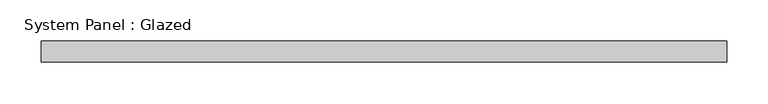
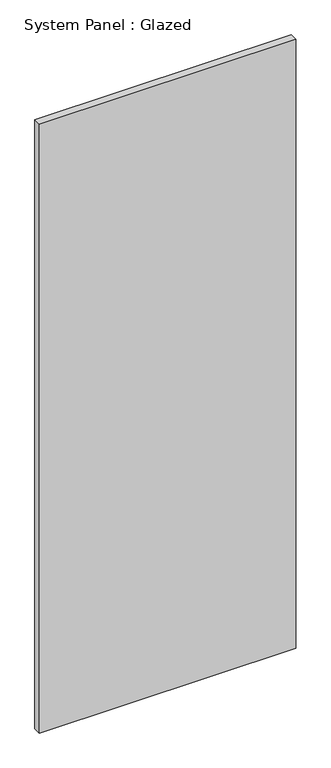
"""IFC4 building model written with IfcOpenShell, lengths in millimetres: plate geometry, System Panel : Glazed."""

from ifc_helpers import new_model, si_unit, origin, origin_with_axes, place, context, project, spatial, polyline, outline, extrude, source, transform, mapped, element, save


def system_panel_glazed_ed5f774b(model_context):
    return source(origin(), model_context, "Body", "SweptSolid", [
        extrude(outline(polyline([(413.8083333, 19.05), (-413.8083333, 19.05), (-413.8083333, 44.45), (413.8083333, 44.45), (413.8083333, 19.05)])), origin_with_axes(), (0.0, 0.0, 1.0), 2076.45),
    ])


if __name__ == "__main__":
    model = new_model("IFC4")
    model_context = context("Model", 3, world=origin())
    ifc_project = project(units=[si_unit("LENGTHUNIT", "METRE", prefix="MILLI")], contexts=[model_context])
    site = spatial("IfcSite", under=ifc_project)
    building = spatial("IfcBuilding", under=site)
    placement = place(None, origin())
    system_panel_glazed_shape = system_panel_glazed_ed5f774b(model_context)
    element("IfcPlate", 1, ObjectType="System Panel : Glazed", at=placement, inside=building, context=model_context, shape_type="MappedRepresentation", body=[
        mapped(system_panel_glazed_shape, transform((0.0, 0.0, 0.0), x_axis=(1.0, 0.0, 0.0), y_axis=(0.0, 1.0, 0.0), z_axis=(0.0, 0.0, 1.0))),
    ])
    save(model, "model.ifc")
